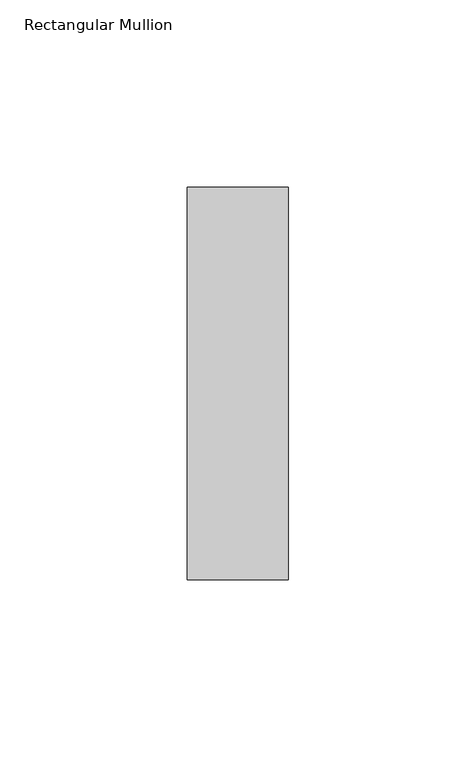
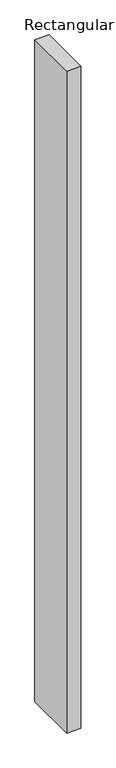
"""IFC4 building model written with IfcOpenShell, lengths in millimetres: member geometry, Rectangular Mullion."""

from ifc_helpers import new_model, si_unit, frame, origin, place, context, project, spatial, polyline, outline, extrude, source, transform, mapped, element, save


def rectangular_mullion_c44160f0(model_context):
    return source(origin(), model_context, "Body", "SweptSolid", [
        extrude(outline(polyline([(-27.0, 52.3975), (0.0, 52.3975), (0.0, -52.3975), (-27.0, -52.3975), (-27.0, 52.3975)])), frame((0.0, 0.0, -1336.0), z_axis=(0.0, 0.0, 1.0), x_axis=(1.0, 0.0, 0.0)), (0.0, 0.0, 1.0), 1336.0),
    ])


if __name__ == "__main__":
    model = new_model("IFC4")
    model_context = context("Model", 3, world=origin())
    ifc_project = project(units=[si_unit("LENGTHUNIT", "METRE", prefix="MILLI")], contexts=[model_context])
    site = spatial("IfcSite", under=ifc_project)
    building = spatial("IfcBuilding", under=site)
    placement = place(None, origin())
    rectangular_mullion_shape = rectangular_mullion_c44160f0(model_context)
    element("IfcMember", 1, ObjectType="Rectangular Mullion", at=placement, inside=building, context=model_context, shape_type="MappedRepresentation", body=[
        mapped(rectangular_mullion_shape, transform((0.0, 0.0, 0.0), x_axis=(1.0, 0.0, 0.0), y_axis=(0.0, 1.0, 0.0), z_axis=(0.0, 0.0, 1.0))),
    ])
    save(model, "model.ifc")
